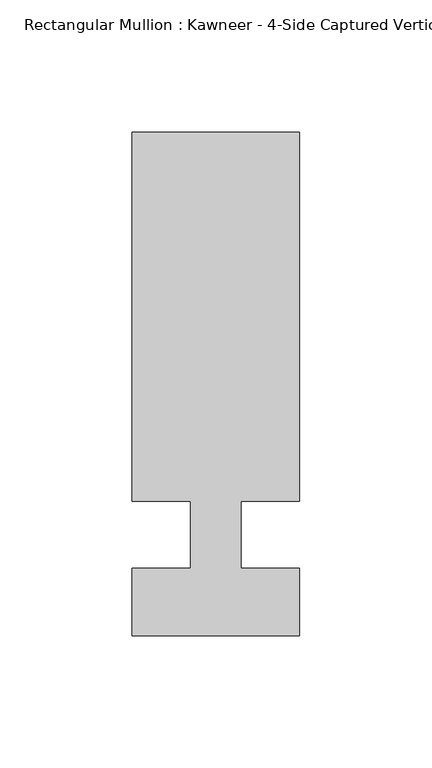
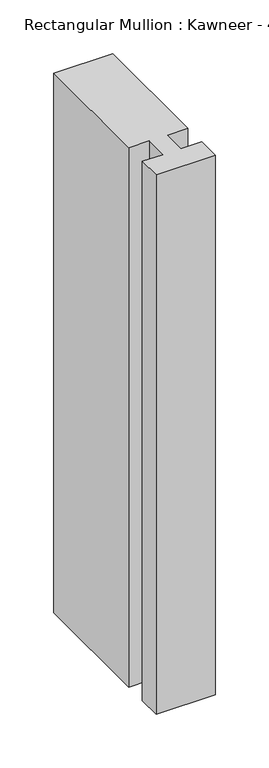
"""IFC4 building model written with IfcOpenShell, lengths in millimetres: member geometry."""

from ifc_helpers import new_model, si_unit, frame, origin, place, context, project, spatial, polyline, outline, extrude, source, transform, mapped, element, save


def member_289fa796(model_context):
    return source(origin(), model_context, "Body", "SweptSolid", [
        extrude(outline(polyline([(-9.5251132, -12.7), (-9.5251132, 12.7), (-31.75, 12.7), (-31.75, 152.399995), (31.75, 152.399995), (31.75, 12.7), (9.5251132, 12.7), (9.5251132, -12.7), (31.75, -12.7), (31.75, -38.1), (-31.75, -38.1), (-31.75, -12.7), (-9.5251132, -12.7)])), frame((0.0, 0.0, -612.7750377), z_axis=(0.0, 0.0, 1.0), x_axis=(1.0, 0.0, 0.0)), (0.0, 0.0, 1.0), 612.7750377),
    ])


if __name__ == "__main__":
    model = new_model("IFC4")
    model_context = context("Model", 3, world=origin())
    ifc_project = project(units=[si_unit("LENGTHUNIT", "METRE", prefix="MILLI")], contexts=[model_context])
    site = spatial("IfcSite", under=ifc_project)
    building = spatial("IfcBuilding", under=site)
    placement = place(None, origin())
    member_shape = member_289fa796(model_context)
    element("IfcMember", 1, ObjectType="Rectangular Mullion : Kawneer - 4-Side Captured Vertical Mullion - 7 1/2\"", at=placement, inside=building, context=model_context, shape_type="MappedRepresentation", body=[
        mapped(member_shape, transform((0.0, 0.0, 0.0), x_axis=(1.0, 0.0, 0.0), y_axis=(0.0, 1.0, 0.0), z_axis=(0.0, 0.0, 1.0))),
    ])
    save(model, "model.ifc")
